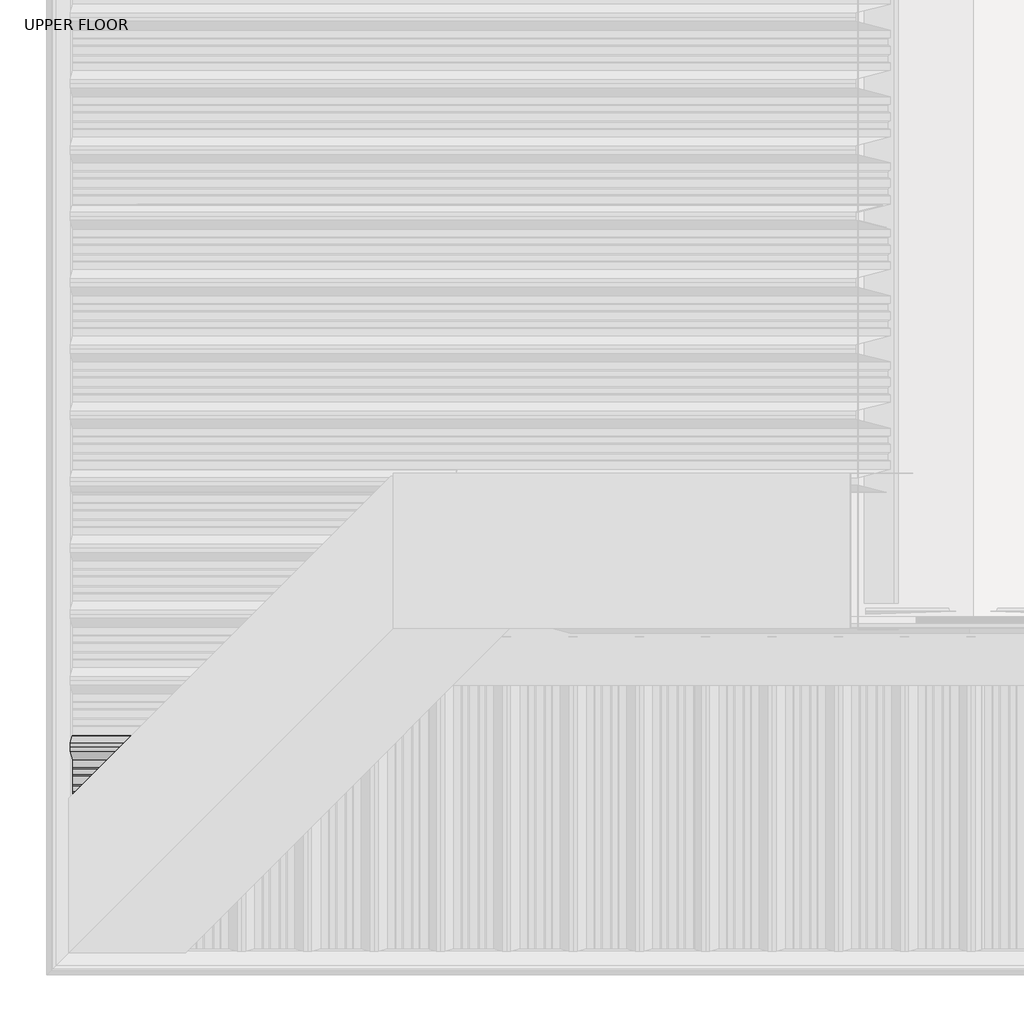
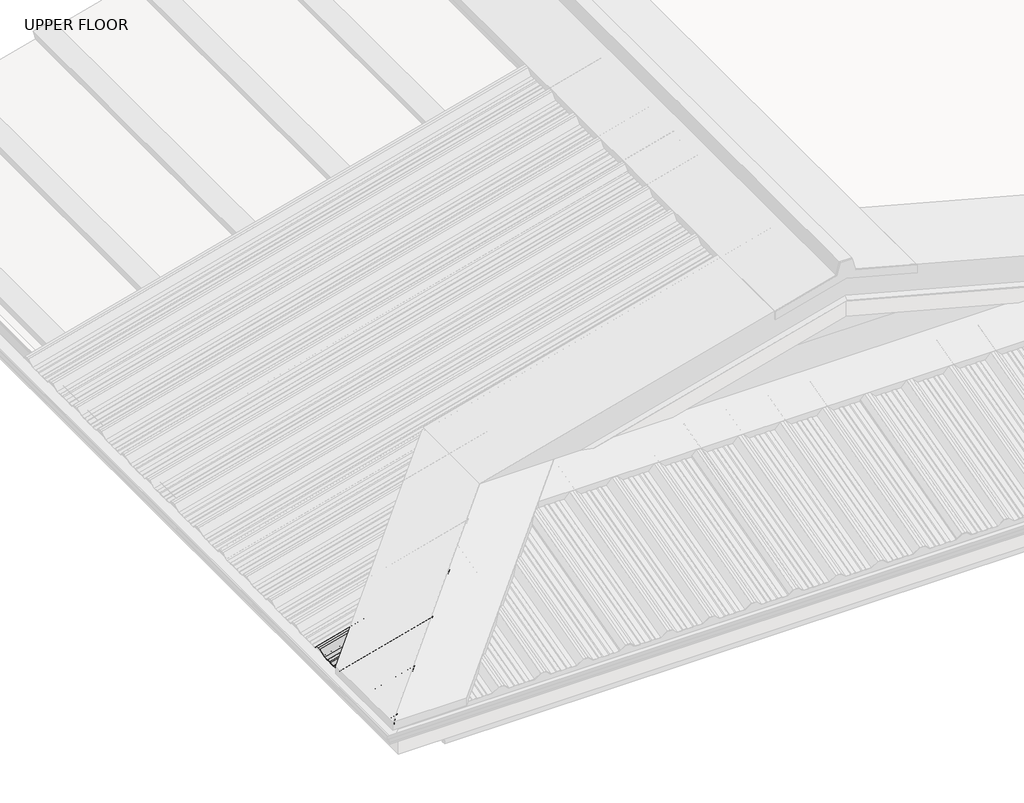
# One storey, part 2 of 8: 1 beam.
"""IFC4 building model written with IfcOpenShell, lengths in millimetres."""

import ifcopenshell
import ifcopenshell.guid

model = None  # the IFC model being written
_history = None  # IfcOwnerHistory: only IFC2X3 demands one
_inside = {}  # id of a spatial element -> (the spatial element, [elements in it])
_under = {}  # id of a project, library or spatial element -> (it, [spatial elements below it])
_declared = {}  # id of a project -> (the project, [libraries it declares])
_typed = {}  # id of a type object -> (the type object, [elements of that type])
_made_of = {}  # id of a material, layer set ... -> (it, [elements and type objects made of it])


def new_model(schema):
    """Start an empty IFC model of exactly this schema.

    Asked for "IFC4X3", IfcOpenShell would pick the latest addendum, in which some entities
    have other attributes; the version numbers below select the first issue.
    IFC2X3 requires an IfcOwnerHistory on every rooted entity: one is made here for all.
    """
    global model, _history
    if schema == "IFC4X3":
        model = ifcopenshell.file(schema_version=(4, 3, 0, 0))
    else:
        model = ifcopenshell.file(schema=schema)
    _inside.clear()
    _under.clear()
    _declared.clear()
    _typed.clear()
    _made_of.clear()
    _history = None
    if model.schema == "IFC2X3":
        org = make("IfcOrganization", Name="unknown")
        user = make(
            "IfcPersonAndOrganization",
            ThePerson=make("IfcPerson", FamilyName="unknown"),
            TheOrganization=org,
        )
        app = make(
            "IfcApplication",
            ApplicationDeveloper=org,
            Version="unknown",
            ApplicationFullName="unknown",
            ApplicationIdentifier="unknown",
        )
        _history = make(
            "IfcOwnerHistory",
            OwningUser=user,
            OwningApplication=app,
            ChangeAction="ADDED",
            CreationDate=0,
        )
    return model


def make(cls, **values):
    """One entity of the class cls with the attributes given. An attribute that is None is left unset."""
    return model.create_entity(
        cls, **{name: value for name, value in values.items() if value is not None}
    )


def rooted(cls, **values):
    """An entity with a GlobalId (a new one), such as an element, a storey or a relation."""
    return make(cls, GlobalId=ifcopenshell.guid.new(), OwnerHistory=_history, **values)


def si_unit(unit_type, name, prefix=None):
    """IfcSIUnit, for example si_unit("LENGTHUNIT", "METRE", prefix="MILLI")."""
    return make("IfcSIUnit", UnitType=unit_type, Prefix=prefix, Name=name)


def assignment(units):
    """IfcUnitAssignment: the units of a project."""
    return None if units is None else make("IfcUnitAssignment", Units=units)


def point(xyz):
    """IfcCartesianPoint."""
    return None if xyz is None else make("IfcCartesianPoint", Coordinates=xyz)


def direction(xyz):
    """IfcDirection."""
    return None if xyz is None else make("IfcDirection", DirectionRatios=xyz)


def frame(location, z_axis=None, x_axis=None):
    """IfcAxis2Placement3D, a coordinate frame: its origin and axes. An axis left out is left unset."""
    return make(
        "IfcAxis2Placement3D",
        Location=point(location),
        Axis=direction(z_axis),
        RefDirection=direction(x_axis),
    )


def origin():
    """The frame at (0, 0, 0) with its axes left unset."""
    return frame((0.0, 0.0, 0.0))


def place(relative_to, where):
    """IfcLocalPlacement: puts the frame where relative to a parent placement (None: the world)."""
    return make(
        "IfcLocalPlacement", PlacementRelTo=relative_to, RelativePlacement=where
    )


def context(
    kind, dimensions, precision=None, world=None, true_north=None, identifier=None
):
    """IfcGeometricRepresentationContext, for example the 3D "Model" context."""
    return make(
        "IfcGeometricRepresentationContext",
        ContextIdentifier=identifier,
        ContextType=kind,
        CoordinateSpaceDimension=dimensions,
        Precision=precision,
        WorldCoordinateSystem=world,
        TrueNorth=true_north,
    )


def project(units=None, contexts=None):
    """IfcProject with its units and contexts."""
    return rooted(
        "IfcProject",
        Name="project",
        RepresentationContexts=contexts,
        UnitsInContext=assignment(units),
    )


def spatial(cls, under=None, at=None, **own):
    """A site, building, storey or space (cls), placed at a placement, below another one or the project."""
    s = rooted(cls, ObjectPlacement=at, **own)
    if under is not None:
        _under.setdefault(under.id(), (under, []))[1].append(s)
    return s


def circle_curve(where, radius):
    """IfcCircle in the frame where."""
    return make("IfcCircle", Position=where, Radius=radius)


def ellipse_curve(where, semi_axis1, semi_axis2):
    """IfcEllipse in the frame where."""
    return make(
        "IfcEllipse", Position=where, SemiAxis1=semi_axis1, SemiAxis2=semi_axis2
    )


def shape(context_of_items, identifier, shape_type, items):
    """IfcShapeRepresentation: the items that make up one representation, for example the "Body"."""
    return make(
        "IfcShapeRepresentation",
        ContextOfItems=context_of_items,
        RepresentationIdentifier=identifier,
        RepresentationType=shape_type,
        Items=items,
    )


def made_of(thing, what):
    """Note that an element or type object is made of a material, layer set ...; save() writes the relation."""
    if what is not None:
        _made_of.setdefault(what.id(), (what, []))[1].append(thing)
    return thing


def element(
    cls,
    number,
    at=None,
    inside=None,
    cuts=None,
    type_object=None,
    material=None,
    context=None,
    identifier="Body",
    shape_type=None,
    held_by="IfcProductDefinitionShape",
    body=None,
    shapes=None,
    **own,
):
    """One element of the class cls, such as IfcWall. Its Tag is "e" and its number.

    at: its placement. inside: the storey or other place that contains it. cuts: it is an
    opening in that element (IfcRelVoidsElement). A single representation is given by context,
    identifier, shape_type and body (its items); several are given by shapes. held_by: the class
    of the entity that holds the representations. save() writes the other relations.
    """
    e = rooted(cls, Tag="e%d" % number, ObjectPlacement=at, **own)
    if body is not None:
        shapes = [shape(context, identifier, shape_type, body)]
    if shapes is not None:
        e.Representation = make(held_by, Representations=shapes)
    if inside is not None:
        _inside.setdefault(inside.id(), (inside, []))[1].append(e)
    if cuts is not None:
        rooted(
            "IfcRelVoidsElement", RelatingBuildingElement=cuts, RelatedOpeningElement=e
        )
    if type_object is not None:
        _typed.setdefault(type_object.id(), (type_object, []))[1].append(e)
    return made_of(e, material)


def aggregate(whole, parts):
    """IfcRelAggregates: a whole, such as a stair, and the parts it consists of."""
    return rooted("IfcRelAggregates", RelatingObject=whole, RelatedObjects=parts)


def save(model, path):
    """Write the relations noted so far, then the file.

    IfcRelAggregates (storeys below a building ...), IfcRelContainedInSpatialStructure (elements
    in a storey), IfcRelDefinesByType, IfcRelAssociatesMaterial and IfcRelDeclares: one each for
    every whole, place, type object, material and project.
    """
    for whole, parts in _under.values():
        aggregate(whole, parts)
    for where, things in _inside.values():
        rooted(
            "IfcRelContainedInSpatialStructure",
            RelatedElements=things,
            RelatingStructure=where,
        )
    for kind, things in _typed.values():
        rooted("IfcRelDefinesByType", RelatedObjects=things, RelatingType=kind)
    for what, things in _made_of.values():
        rooted("IfcRelAssociatesMaterial", RelatedObjects=things, RelatingMaterial=what)
    for by, libraries in _declared.values():
        rooted("IfcRelDeclares", RelatingContext=by, RelatedDefinitions=libraries)
    model.write(path)


def plane_surface(at):
    """IfcPlane: the flat surface through the origin of the frame at, square to its z axis."""
    return make("IfcPlane", Position=at)


def cylinder_surface(at, radius):
    """IfcCylindricalSurface: all points at the distance radius from the z axis of the frame at."""
    return make("IfcCylindricalSurface", Position=at, Radius=radius)


def advanced_brep(points, edges, surfaces, faces):
    """IfcAdvancedBrep: a solid bounded by faces that lie on surfaces and meet in shared edges.

    An edge is (start, end): straight between two places in points (the first is 0);
    or (start, end, curve); or (start, end, curve, False) where it runs against its curve.
    A face is (place in surfaces, loops), or (place, loops, False) where it looks against
    its surface's normal. A loop lists edges by number (the first is 1), with a minus sign
    where the edge is run from its end to its start. The first loop is the outer one.
    """
    corners = [point(p) for p in points]
    vertices = [make("IfcVertexPoint", VertexGeometry=c) for c in corners]
    made = []
    for start, end, *more in edges:
        made.append(
            make(
                "IfcEdgeCurve",
                EdgeStart=vertices[start],
                EdgeEnd=vertices[end],
                EdgeGeometry=more[0] if more else make("IfcPolyline", Points=[corners[start], corners[end]]),
                SameSense=more[1] if len(more) > 1 else True,
            )
        )
    hull = []
    for where, loops, *sense in faces:
        bounds = []
        for j, loop in enumerate(loops):
            ring = [make("IfcOrientedEdge", EdgeElement=made[abs(k) - 1], Orientation=k > 0) for k in loop]
            bounds.append(
                make(
                    "IfcFaceOuterBound" if j == 0 else "IfcFaceBound",
                    Bound=make("IfcEdgeLoop", EdgeList=ring),
                    Orientation=True,
                )
            )
        hull.append(make("IfcAdvancedFace", Bounds=bounds, FaceSurface=surfaces[where], SameSense=sense[0] if sense else True))
    return make("IfcAdvancedBrep", Outer=make("IfcClosedShell", CfsFaces=hull))


model = new_model("IFC4")

# Units and contexts
model_context = context("Model", 3, world=origin())
ifc_project = project(units=[si_unit("LENGTHUNIT", "METRE", prefix="MILLI")], contexts=[model_context])

# Site, building, storey
site = spatial("IfcSite", under=ifc_project)
building = spatial("IfcBuilding", under=site)
storey = spatial("IfcBuildingStorey", under=building, Name="UPPER FLOOR", Elevation=2700.0)

# Beam
placement = place(None, origin())
element("IfcBeam", 1, ObjectType="MC770", at=placement, inside=storey, context=model_context, shape_type="AdvancedBrep", body=[
    advanced_brep(
    [(-609.6770884, -4675.0160332, 3289.4346277), (-609.6770884, -4662.5160332, 3289.4346277), (-609.6770884, -4650.0160332, 3289.4346277), (-602.9477932, -4624.4416189, 3264.3205562), (-602.9477932, -4602.6089895, 3264.3205562), (-603.4758427, -4599.3939453, 3266.2912635), (-603.4758427, -4582.453976, 3266.2912635), (-602.9477932, -4578.0736583, 3264.3205562), (-602.9477932, -4554.4584081, 3264.3205562), (-603.4758427, -4550.0780903, 3266.2912635), (-603.4758427, -4533.1381211, 3266.2912635), (-602.9477932, -4529.9230769, 3264.3205562), (-602.9477932, -4508.0904474, 3264.3205562), (-609.6770884, -4482.5160332, 3289.4346277), (-609.6770884, -4470.0160332, 3289.4346277), (-609.6770884, -4457.5160332, 3289.4346277), (-602.9477932, -4431.9416189, 3264.3205562), (-602.9477932, -4410.1089895, 3264.3205562), (-603.4758427, -4406.8939453, 3266.2912635), (-603.4758427, -4389.953976, 3266.2912635), (-602.9477932, -4385.5736583, 3264.3205562), (-602.9477932, -4361.9584081, 3264.3205562), (-603.4758427, -4357.5780903, 3266.2912635), (-603.4758427, -4340.6381211, 3266.2912635), (-602.9477932, -4337.4230769, 3264.3205562), (-602.9477932, -4315.5904474, 3264.3205562), (-609.6770884, -4290.0160332, 3289.4346277), (-609.6770884, -4277.5160332, 3289.4346277), (-609.6770884, -4265.0160332, 3289.4346277), (-602.9477932, -4239.4416189, 3264.3205562), (-602.9477932, -4217.6089895, 3264.3205562), (-603.4758427, -4214.3939453, 3266.2912635), (-603.4758427, -4197.453976, 3266.2912635), (-602.9477932, -4193.0736583, 3264.3205562), (-602.9477932, -4169.4584081, 3264.3205562), (-603.4758427, -4165.0780903, 3266.2912635), (-603.4758427, -4148.1381211, 3266.2912635), (-602.9477932, -4144.9230769, 3264.3205562), (-602.9477932, -4123.0904474, 3264.3205562), (-609.6770884, -4097.5160332, 3289.4346277), (-609.6770884, -4085.0160332, 3289.4346277), (-609.6770884, -4072.5160332, 3289.4346277), (-604.5336976, -4052.9687842, 3270.2392318), (-604.3303952, -4053.7542842, 3269.4804971), (-609.4182694, -4073.0905442, 3288.4687019), (-609.4182694, -4085.0160332, 3288.4687019), (-609.4182694, -4096.9415222, 3288.4687019), (-602.6889742, -4122.5159364, 3263.3546304), (-602.6889742, -4145.2135914, 3263.3546304), (-603.2170236, -4148.4286356, 3265.3253377), (-603.2170236, -4164.8566268, 3265.3253377), (-602.6889742, -4169.2369445, 3263.3546304), (-602.6889742, -4193.2951218, 3263.3546304), (-603.2170236, -4197.6754395, 3265.3253377), (-603.2170236, -4214.1034308, 3265.3253377), (-602.6889742, -4217.318475, 3263.3546304), (-602.6889742, -4240.0161299, 3263.3546304), (-609.4182694, -4265.5905442, 3288.4687019), (-609.4182694, -4277.5160332, 3288.4687019), (-609.4182694, -4289.4415222, 3288.4687019), (-602.6889742, -4315.0159364, 3263.3546304), (-602.6889742, -4337.7135914, 3263.3546304), (-603.2170236, -4340.9286356, 3265.3253377), (-603.2170236, -4357.3566268, 3265.3253377), (-602.6889742, -4361.7369445, 3263.3546304), (-602.6889742, -4385.7951218, 3263.3546304), (-603.2170236, -4390.1754395, 3265.3253377), (-603.2170236, -4406.6034308, 3265.3253377), (-602.6889742, -4409.818475, 3263.3546304), (-602.6889742, -4432.5161299, 3263.3546304), (-609.4182694, -4458.0905442, 3288.4687019), (-609.4182694, -4470.0160332, 3288.4687019), (-609.4182694, -4481.9415222, 3288.4687019), (-602.6889742, -4507.5159364, 3263.3546304), (-602.6889742, -4530.2135914, 3263.3546304), (-603.2170236, -4533.4286356, 3265.3253377), (-603.2170236, -4549.8566268, 3265.3253377), (-602.6889742, -4554.2369445, 3263.3546304), (-602.6889742, -4578.2951218, 3263.3546304), (-603.2170236, -4582.6754395, 3265.3253377), (-603.2170236, -4599.1034308, 3265.3253377), (-602.6889742, -4602.318475, 3263.3546304), (-602.6889742, -4625.0161299, 3263.3546304), (-609.4182694, -4650.5905442, 3288.4687019), (-609.4182694, -4662.5160332, 3288.4687019), (-609.4182694, -4674.4415222, 3288.4687019), (-607.2615345, -4682.6381057, 3280.4196579), (-607.5861164, -4682.9626876, 3281.631014), (-454.8370202, -4530.2135914, 3302.9714421), (-458.0520643, -4533.4286356, 3304.2221713), (-432.1393652, -4507.5159364, 3309.0532604), (-406.564951, -4481.9415222, 3342.8230847), (-394.639462, -4470.0160332, 3346.0185099), (-382.713973, -4458.0905442, 3349.213935), (-357.1395587, -4432.5161299, 3329.149398), (-334.4419037, -4409.818475, 3335.2312163), (-331.2268596, -4406.6034308, 3338.2048825), (-314.7988683, -4390.1754395, 3342.6067495), (-310.4185506, -4385.7951218, 3341.6682544), (-286.3603733, -4361.7369445, 3348.1146235), (-281.9800556, -4357.3566268, 3351.4005238), (-265.5520643, -4340.9286356, 3355.8023908), (-262.3370202, -4337.7135914, 3354.5516616), (-239.6393652, -4315.0159364, 3360.6334799), (-214.064951, -4289.4415222, 3394.4033043), (-202.139462, -4277.5160332, 3397.5987294), (-190.213973, -4265.5905442, 3400.7941546), (-164.6395587, -4240.0161299, 3380.7296175), (-141.9419037, -4217.318475, 3386.8114358), (-138.7268596, -4214.1034308, 3389.785102), (-122.2988683, -4197.6754395, 3394.186969), (-117.9185506, -4193.2951218, 3393.2484739), (-93.8603733, -4169.2369445, 3399.6948431), (-89.4800556, -4164.8566268, 3402.9807434), (-73.0520643, -4148.4286356, 3407.3826104), (-69.8370202, -4145.2135914, 3406.1318812), (-47.1393652, -4122.5159364, 3412.2136995), (-21.564951, -4096.9415222, 3445.9835238), (-9.639462, -4085.0160332, 3449.178949), (2.286027, -4073.0905442, 3452.3743741), (21.622287, -4053.7542842, 3437.2040128), (22.407787, -4052.9687842, 3438.2276963), (2.860538, -4072.5160332, 3453.56359), (-9.639462, -4085.0160332, 3450.2142251), (-22.139462, -4097.5160332, 3446.8648602), (-47.7138762, -4123.0904474, 3413.0950359), (-69.5465057, -4144.9230769, 3407.2450005), (-72.7615498, -4148.1381211, 3408.4957297), (-89.7015191, -4165.0780903, 3403.9566786), (-94.0818368, -4169.4584081, 3400.6707783), (-117.6970871, -4193.0736583, 3394.3430911), (-122.0774048, -4197.453976, 3395.2815862), (-139.0173741, -4214.3939453, 3390.7425351), (-142.2324182, -4217.6089895, 3387.7688689), (-164.0650477, -4239.4416189, 3381.9188335), (-189.639462, -4265.0160332, 3401.9833705), (-202.139462, -4277.5160332, 3398.6340056), (-214.639462, -4290.0160332, 3395.2846407), (-240.2138762, -4315.5904474, 3361.5148164), (-262.0465057, -4337.4230769, 3355.6647809), (-265.2615498, -4340.6381211, 3356.9155101), (-282.2015191, -4357.5780903, 3352.376459), (-286.5818368, -4361.9584081, 3349.0905587), (-310.1970871, -4385.5736583, 3342.7628715), (-314.5774048, -4389.953976, 3343.7013666), (-331.5173741, -4406.8939453, 3339.1623155), (-334.7324182, -4410.1089895, 3336.1886493), (-356.5650477, -4431.9416189, 3330.3386139), (-382.139462, -4457.5160332, 3350.403151), (-394.639462, -4470.0160332, 3347.0537861), (-407.139462, -4482.5160332, 3343.7044211), (-432.7138762, -4508.0904474, 3309.9345968), (-454.5465057, -4529.9230769, 3304.0845614), (-457.7615498, -4533.1381211, 3305.3352906), (-474.7015191, -4550.0780903, 3300.7962395), (-479.0818368, -4554.4584081, 3297.5103392), (-502.6970871, -4578.0736583, 3291.182652), (-507.0774048, -4582.453976, 3292.1211471), (-524.0173741, -4599.3939453, 3287.582096), (-527.2324182, -4602.6089895, 3284.6084298), (-549.0650477, -4624.4416189, 3278.7583944), (-574.639462, -4650.0160332, 3298.8229314), (-587.139462, -4662.5160332, 3295.4735665), (-599.639462, -4675.0160332, 3292.1242016), (-599.064951, -4674.4415222, 3291.2428652), (-587.139462, -4662.5160332, 3294.4382903), (-575.213973, -4650.5905442, 3297.6337155), (-549.6395587, -4625.0161299, 3277.5691784), (-526.9419037, -4602.318475, 3283.6509967), (-523.7268596, -4599.1034308, 3286.6246629), (-507.2988683, -4582.6754395, 3291.0265299), (-502.9185506, -4578.2951218, 3290.0880348), (-478.8603733, -4554.2369445, 3296.534404), (-474.4800556, -4549.8566268, 3299.8203043)],
    [
        (0, 1),
        (1, 2),
        (2, 3),
        (3, 4),
        (4, 5),
        (5, 6),
        (6, 7),
        (7, 8),
        (8, 9),
        (9, 10),
        (10, 11),
        (11, 12),
        (12, 13),
        (13, 14),
        (14, 15),
        (15, 16),
        (16, 17),
        (17, 18),
        (18, 19),
        (19, 20),
        (20, 21),
        (21, 22),
        (22, 23),
        (23, 24),
        (24, 25),
        (25, 26),
        (26, 27),
        (27, 28),
        (28, 29),
        (29, 30),
        (30, 31),
        (31, 32),
        (32, 33),
        (33, 34),
        (34, 35),
        (35, 36),
        (36, 37),
        (37, 38),
        (38, 39),
        (39, 40),
        (40, 41),
        (41, 42),
        (42, 43, circle_curve(frame((-604.4328852, -4053.3647751, 3269.8629949), z_axis=(-0.9659258262890683, 0.0, -0.2588190451025209), x_axis=(0.0, 1.0000000000000002, 0.0)), 0.5554513)),
        (43, 44),
        (44, 45),
        (45, 46),
        (46, 47),
        (47, 48),
        (48, 49),
        (49, 50),
        (50, 51),
        (51, 52),
        (52, 53),
        (53, 54),
        (54, 55),
        (55, 56),
        (56, 57),
        (57, 58),
        (58, 59),
        (59, 60),
        (60, 61),
        (61, 62),
        (62, 63),
        (63, 64),
        (64, 65),
        (65, 66),
        (66, 67),
        (67, 68),
        (68, 69),
        (69, 70),
        (70, 71),
        (71, 72),
        (72, 73),
        (73, 74),
        (74, 75),
        (75, 76),
        (76, 77),
        (77, 78),
        (78, 79),
        (79, 80),
        (80, 81),
        (81, 82),
        (82, 83),
        (83, 84),
        (84, 85),
        (85, 86),
        (86, 87),
        (87, 0),
        (74, 88),
        (88, 89),
        (89, 75),
        (73, 90),
        (90, 88),
        (72, 91),
        (91, 90),
        (71, 92),
        (92, 91),
        (70, 93),
        (93, 92),
        (69, 94),
        (94, 93),
        (68, 95),
        (95, 94),
        (67, 96),
        (96, 95),
        (66, 97),
        (97, 96),
        (65, 98),
        (98, 97),
        (64, 99),
        (99, 98),
        (63, 100),
        (100, 99),
        (62, 101),
        (101, 100),
        (61, 102),
        (102, 101),
        (60, 103),
        (103, 102),
        (59, 104),
        (104, 103),
        (58, 105),
        (105, 104),
        (57, 106),
        (106, 105),
        (56, 107),
        (107, 106),
        (55, 108),
        (108, 107),
        (54, 109),
        (109, 108),
        (53, 110),
        (110, 109),
        (52, 111),
        (111, 110),
        (51, 112),
        (112, 111),
        (50, 113),
        (113, 112),
        (49, 114),
        (114, 113),
        (48, 115),
        (115, 114),
        (47, 116),
        (116, 115),
        (46, 117),
        (117, 116),
        (45, 118),
        (118, 117),
        (44, 119),
        (119, 118),
        (43, 120),
        (120, 119),
        (42, 121),
        (121, 120, ellipse_curve(frame((22.0117961, -4053.3647751, 3437.7183414), z_axis=(-0.7071067811865475, 0.7071067811865476, 0.0), x_axis=(0.6612248329466448, 0.6612248329466447, 0.35434932000691577)), 0.8132371, 0.5554513)),
        (41, 122),
        (122, 121),
        (40, 123),
        (123, 122),
        (39, 124),
        (124, 123),
        (38, 125),
        (125, 124),
        (37, 126),
        (126, 125),
        (36, 127),
        (127, 126),
        (35, 128),
        (128, 127),
        (34, 129),
        (129, 128),
        (33, 130),
        (130, 129),
        (32, 131),
        (131, 130),
        (31, 132),
        (132, 131),
        (30, 133),
        (133, 132),
        (29, 134),
        (134, 133),
        (28, 135),
        (135, 134),
        (27, 136),
        (136, 135),
        (26, 137),
        (137, 136),
        (25, 138),
        (138, 137),
        (24, 139),
        (139, 138),
        (23, 140),
        (140, 139),
        (22, 141),
        (141, 140),
        (21, 142),
        (142, 141),
        (20, 143),
        (143, 142),
        (19, 144),
        (144, 143),
        (18, 145),
        (145, 144),
        (17, 146),
        (146, 145),
        (16, 147),
        (147, 146),
        (15, 148),
        (148, 147),
        (14, 149),
        (149, 148),
        (13, 150),
        (150, 149),
        (12, 151),
        (151, 150),
        (11, 152),
        (152, 151),
        (10, 153),
        (153, 152),
        (9, 154),
        (154, 153),
        (8, 155),
        (155, 154),
        (7, 156),
        (156, 155),
        (6, 157),
        (157, 156),
        (5, 158),
        (158, 157),
        (4, 159),
        (159, 158),
        (3, 160),
        (160, 159),
        (2, 161),
        (161, 160),
        (1, 162),
        (162, 161),
        (0, 163),
        (163, 162),
        (87, 163),
        (85, 164),
        (164, 86),
        (84, 165),
        (165, 164),
        (83, 166),
        (166, 165),
        (82, 167),
        (167, 166),
        (81, 168),
        (168, 167),
        (80, 169),
        (169, 168),
        (79, 170),
        (170, 169),
        (78, 171),
        (171, 170),
        (77, 172),
        (172, 171),
        (76, 173),
        (173, 172),
        (89, 173),
    ],
    [
        plane_surface(frame((-602.6889742, -4700.0159364, 3263.3546304), z_axis=(-0.9659258262890684, 0.0, -0.25881904510252085), x_axis=(0.18451661822206494, -0.7012479477870271, -0.6886253940455405))),
        plane_surface(frame((512.5251527, -4533.4286356, 3564.2875528), z_axis=(0.21853130769187462, -0.5358075541289663, -0.8155699433505468), x_axis=(-0.9659258262890683, 0.0, -0.2588190451025209))),
        plane_surface(frame((513.0532022, -4530.2135914, 3562.3168455), z_axis=(0.2588190451025209, 0.0, -0.9659258262890683), x_axis=(-0.9659258262890683, 0.0, -0.2588190451025209))),
        plane_surface(frame((513.0532022, -4507.5159364, 3562.3168455), z_axis=(0.18149632422634657, 0.7129174676808379, -0.6773535033997142), x_axis=(-0.9659258262890683, 0.0, -0.2588190451025209))),
        plane_surface(frame((506.323907, -4481.9415222, 3587.430917), z_axis=(0.2588190451025209, 0.0, -0.9659258262890683), x_axis=(-0.9659258262890683, 0.0, -0.2588190451025209))),
        plane_surface(frame((506.323907, -4470.0160332, 3587.430917), z_axis=(0.25881904510252096, 0.0, -0.9659258262890683), x_axis=(-0.9659258262890683, 0.0, -0.25881904510252096))),
        plane_surface(frame((506.323907, -4458.0905442, 3587.430917), z_axis=(0.18149632422633943, -0.7129174676808558, -0.6773535033996972), x_axis=(-0.9659258262890683, 0.0, -0.25881904510252096))),
        plane_surface(frame((513.0532022, -4432.5161299, 3562.3168455), z_axis=(0.2588190451025209, 0.0, -0.9659258262890683), x_axis=(-0.9659258262890683, 0.0, -0.2588190451025209))),
        plane_surface(frame((513.0532022, -4409.818475, 3562.3168455), z_axis=(0.21853130769187773, 0.5358075541289585, -0.815569943350551), x_axis=(-0.9659258262890683, 0.0, -0.25881904510252085))),
        plane_surface(frame((512.5251527, -4406.6034308, 3564.2875528), z_axis=(0.2588190451025209, 0.0, -0.9659258262890683), x_axis=(-0.9659258262890683, 0.0, -0.2588190451025209))),
        plane_surface(frame((512.5251527, -4390.1754395, 3564.2875528), z_axis=(0.23461789175161424, -0.42221886042245466, -0.8756058923817219), x_axis=(-0.9659258262890683, 0.0, -0.2588190451025209))),
        plane_surface(frame((513.0532022, -4385.7951218, 3562.3168455), z_axis=(0.2588190451025209, 0.0, -0.9659258262890683), x_axis=(-0.9659258262890683, 0.0, -0.2588190451025209))),
        plane_surface(frame((513.0532022, -4361.7369445, 3562.3168455), z_axis=(0.23461789175161726, 0.4222188604224424, -0.875605892381727), x_axis=(-0.9659258262890683, 0.0, -0.25881904510252096))),
        plane_surface(frame((512.5251527, -4357.3566268, 3564.2875528), z_axis=(0.2588190451025209, 0.0, -0.9659258262890683), x_axis=(-0.9659258262890683, 0.0, -0.2588190451025209))),
        plane_surface(frame((512.5251527, -4340.9286356, 3564.2875528), z_axis=(0.21853130769187565, -0.5358075541289599, -0.8155699433505507), x_axis=(-0.9659258262890683, 0.0, -0.25881904510252096))),
        plane_surface(frame((513.0532022, -4337.7135914, 3562.3168455), z_axis=(0.2588190451025209, 0.0, -0.9659258262890683), x_axis=(-0.9659258262890683, 0.0, -0.2588190451025209))),
        plane_surface(frame((513.0532022, -4315.0159364, 3562.3168455), z_axis=(0.18149632422634215, 0.7129174676808547, -0.6773535033996976), x_axis=(-0.9659258262890683, 0.0, -0.2588190451025209))),
        plane_surface(frame((506.323907, -4289.4415222, 3587.430917), z_axis=(0.2588190451025209, 0.0, -0.9659258262890683), x_axis=(-0.9659258262890683, 0.0, -0.2588190451025209))),
        plane_surface(frame((506.323907, -4277.5160332, 3587.430917), z_axis=(0.2588190451025209, 0.0, -0.9659258262890683), x_axis=(-0.9659258262890683, 0.0, -0.2588190451025209))),
        plane_surface(frame((506.323907, -4265.5905442, 3587.430917), z_axis=(0.18149632422634038, -0.7129174676808522, -0.6773535033997009), x_axis=(-0.9659258262890683, 0.0, -0.25881904510252096))),
        plane_surface(frame((513.0532022, -4240.0161299, 3562.3168455), z_axis=(0.25881904510252085, 0.0, -0.9659258262890683), x_axis=(-0.9659258262890683, 0.0, -0.25881904510252085))),
        plane_surface(frame((513.0532022, -4217.318475, 3562.3168455), z_axis=(0.21853130769187773, 0.5358075541289585, -0.815569943350551), x_axis=(-0.9659258262890683, 0.0, -0.25881904510252096))),
        plane_surface(frame((512.5251527, -4214.1034308, 3564.2875528), z_axis=(0.25881904510252085, 0.0, -0.9659258262890683), x_axis=(-0.9659258262890683, 0.0, -0.25881904510252085))),
        plane_surface(frame((512.5251527, -4197.6754395, 3564.2875528), z_axis=(0.23461789175161546, -0.42221886042244394, -0.8756058923817268), x_axis=(-0.9659258262890683, 0.0, -0.25881904510252085))),
        plane_surface(frame((513.0532022, -4193.2951218, 3562.3168455), z_axis=(0.2588190451025209, 0.0, -0.9659258262890683), x_axis=(-0.9659258262890683, 0.0, -0.2588190451025209))),
        plane_surface(frame((513.0532022, -4169.2369445, 3562.3168455), z_axis=(0.23461789175161718, 0.42221886042244244, -0.875605892381727), x_axis=(-0.9659258262890683, 0.0, -0.25881904510252096))),
        plane_surface(frame((512.5251527, -4164.8566268, 3564.2875528), z_axis=(0.25881904510252096, 0.0, -0.9659258262890683), x_axis=(-0.9659258262890683, 0.0, -0.25881904510252096))),
        plane_surface(frame((512.5251527, -4148.4286356, 3564.2875528), z_axis=(0.21853130769187568, -0.53580755412896, -0.8155699433505507), x_axis=(-0.9659258262890683, 0.0, -0.2588190451025209))),
        plane_surface(frame((513.0532022, -4145.2135914, 3562.3168455), z_axis=(0.25881904510252085, 0.0, -0.9659258262890683), x_axis=(-0.9659258262890683, 0.0, -0.25881904510252085))),
        plane_surface(frame((513.0532022, -4122.5159364, 3562.3168455), z_axis=(0.18149632422634268, 0.712917467680853, -0.6773535033996996), x_axis=(-0.9659258262890683, 0.0, -0.25881904510252096))),
        plane_surface(frame((506.323907, -4096.9415222, 3587.430917), z_axis=(0.25881904510252085, 0.0, -0.9659258262890683), x_axis=(-0.9659258262890683, 0.0, -0.25881904510252085))),
        plane_surface(frame((506.323907, -4085.0160332, 3587.430917), z_axis=(0.2588190451025209, 0.0, -0.9659258262890683), x_axis=(-0.9659258262890683, 0.0, -0.2588190451025209))),
        plane_surface(frame((506.323907, -4073.0905442, 3587.430917), z_axis=(0.1814963242263341, -0.7129174676808755, -0.6773535033996778), x_axis=(-0.9659258262890683, 0.0, -0.2588190451025209))),
        cylinder_surface(frame((-604.4328852, -4053.3647751, 3269.8629949), z_axis=(0.9659258262890683, 0.0, 0.2588190451025209), x_axis=(0.0, 1.0000000000000002, 0.0)), 0.5554513),
        plane_surface(frame((511.2084788, -4052.9687842, 3569.2014469), z_axis=(-0.18149632422633002, 0.7129174676808914, 0.6773535033996623), x_axis=(-0.9659258262890683, 0.0, -0.2588190451025209))),
        plane_surface(frame((506.0650879, -4072.5160332, 3588.3968428), z_axis=(-0.2588190451025209, 0.0, 0.9659258262890683), x_axis=(-0.9659258262890683, 0.0, -0.2588190451025209))),
        plane_surface(frame((506.0650879, -4085.0160332, 3588.3968428), z_axis=(-0.2588190451025209, 0.0, 0.9659258262890683), x_axis=(-0.9659258262890683, 0.0, -0.2588190451025209))),
        plane_surface(frame((506.0650879, -4097.5160332, 3588.3968428), z_axis=(-0.18149632422634246, -0.7129174676808534, 0.677353503399699), x_axis=(-0.9659258262890683, 0.0, -0.25881904510252085))),
        plane_surface(frame((512.7943831, -4123.0904474, 3563.2827713), z_axis=(-0.2588190451025209, 0.0, 0.9659258262890683), x_axis=(-0.9659258262890683, 0.0, -0.2588190451025209))),
        plane_surface(frame((512.7943831, -4144.9230769, 3563.2827713), z_axis=(-0.21853130769187465, 0.5358075541289663, 0.8155699433505468), x_axis=(-0.9659258262890683, 0.0, -0.25881904510252085))),
        plane_surface(frame((512.2663337, -4148.1381211, 3565.2534786), z_axis=(-0.25881904510252096, 0.0, 0.9659258262890683), x_axis=(-0.9659258262890683, 0.0, -0.25881904510252096))),
        plane_surface(frame((512.2663337, -4165.0780903, 3565.2534786), z_axis=(-0.23461789175161657, -0.42221886042244816, 0.8756058923817245), x_axis=(-0.9659258262890683, 0.0, -0.25881904510252096))),
        plane_surface(frame((512.7943831, -4169.4584081, 3563.2827713), z_axis=(-0.25881904510252085, 0.0, 0.9659258262890683), x_axis=(-0.9659258262890683, 0.0, -0.25881904510252085))),
        plane_surface(frame((512.7943831, -4193.0736583, 3563.2827713), z_axis=(-0.23461789175161496, 0.4222188604224497, 0.8756058923817244), x_axis=(-0.9659258262890683, 0.0, -0.2588190451025209))),
        plane_surface(frame((512.2663337, -4197.453976, 3565.2534786), z_axis=(-0.25881904510252085, 0.0, 0.9659258262890683), x_axis=(-0.9659258262890683, 0.0, -0.25881904510252085))),
        plane_surface(frame((512.2663337, -4214.3939453, 3565.2534786), z_axis=(-0.21853130769187676, -0.535807554128965, 0.8155699433505474), x_axis=(-0.9659258262890683, 0.0, -0.25881904510252096))),
        plane_surface(frame((512.7943831, -4217.6089895, 3563.2827713), z_axis=(-0.25881904510252096, 0.0, 0.9659258262890683), x_axis=(-0.9659258262890683, 0.0, -0.25881904510252096))),
        plane_surface(frame((512.7943831, -4239.4416189, 3563.2827713), z_axis=(-0.18149632422634038, 0.7129174676808525, 0.6773535033997005), x_axis=(-0.9659258262890683, 0.0, -0.25881904510252096))),
        plane_surface(frame((506.0650879, -4265.0160332, 3588.3968428), z_axis=(-0.2588190451025209, 0.0, 0.9659258262890683), x_axis=(-0.9659258262890683, 0.0, -0.2588190451025209))),
        plane_surface(frame((506.0650879, -4277.5160332, 3588.3968428), z_axis=(-0.25881904510252096, 0.0, 0.9659258262890683), x_axis=(-0.9659258262890683, 0.0, -0.25881904510252096))),
        plane_surface(frame((506.0650879, -4290.0160332, 3588.3968428), z_axis=(-0.18149632422634218, -0.7129174676808547, 0.6773535033996976), x_axis=(-0.9659258262890683, 0.0, -0.25881904510252096))),
        plane_surface(frame((512.7943831, -4315.5904474, 3563.2827713), z_axis=(-0.25881904510252085, 0.0, 0.9659258262890683), x_axis=(-0.9659258262890683, 0.0, -0.25881904510252085))),
        plane_surface(frame((512.7943831, -4337.4230769, 3563.2827713), z_axis=(-0.2185313076918756, 0.53580755412896, 0.8155699433505507), x_axis=(-0.9659258262890683, 0.0, -0.25881904510252085))),
        plane_surface(frame((512.2663337, -4340.6381211, 3565.2534786), z_axis=(-0.25881904510252096, 0.0, 0.9659258262890683), x_axis=(-0.9659258262890683, 0.0, -0.25881904510252096))),
        plane_surface(frame((512.2663337, -4357.5780903, 3565.2534786), z_axis=(-0.2346178917516172, -0.42221886042244244, 0.875605892381727), x_axis=(-0.9659258262890683, 0.0, -0.2588190451025209))),
        plane_surface(frame((512.7943831, -4361.9584081, 3563.2827713), z_axis=(-0.25881904510252096, 0.0, 0.9659258262890683), x_axis=(-0.9659258262890683, 0.0, -0.25881904510252096))),
        plane_surface(frame((512.7943831, -4385.5736583, 3563.2827713), z_axis=(-0.23461789175161427, 0.42221886042245466, 0.8756058923817219), x_axis=(-0.9659258262890683, 0.0, -0.2588190451025209))),
        plane_surface(frame((512.2663337, -4389.953976, 3565.2534786), z_axis=(-0.2588190451025209, 0.0, 0.9659258262890683), x_axis=(-0.9659258262890683, 0.0, -0.2588190451025209))),
        plane_surface(frame((512.2663337, -4406.8939453, 3565.2534786), z_axis=(-0.21853130769187776, -0.5358075541289585, 0.815569943350551), x_axis=(-0.9659258262890683, 0.0, -0.2588190451025209))),
        plane_surface(frame((512.7943831, -4410.1089895, 3563.2827713), z_axis=(-0.25881904510252096, 0.0, 0.9659258262890683), x_axis=(-0.9659258262890683, 0.0, -0.25881904510252096))),
        plane_surface(frame((512.7943831, -4431.9416189, 3563.2827713), z_axis=(-0.18149632422633935, 0.7129174676808558, 0.6773535033996972), x_axis=(-0.9659258262890683, 0.0, -0.2588190451025209))),
        plane_surface(frame((506.0650879, -4457.5160332, 3588.3968428), z_axis=(-0.2588190451025209, 0.0, 0.9659258262890683), x_axis=(-0.9659258262890683, 0.0, -0.2588190451025209))),
        plane_surface(frame((506.0650879, -4470.0160332, 3588.3968428), z_axis=(-0.2588190451025209, 0.0, 0.9659258262890683), x_axis=(-0.9659258262890683, 0.0, -0.2588190451025209))),
        plane_surface(frame((506.0650879, -4482.5160332, 3588.3968428), z_axis=(-0.1814963242263466, -0.7129174676808379, 0.6773535033997142), x_axis=(-0.9659258262890683, 0.0, -0.2588190451025209))),
        plane_surface(frame((512.7943831, -4508.0904474, 3563.2827713), z_axis=(-0.2588190451025209, 0.0, 0.9659258262890683), x_axis=(-0.9659258262890683, 0.0, -0.2588190451025209))),
        plane_surface(frame((512.7943831, -4529.9230769, 3563.2827713), z_axis=(-0.21853130769187465, 0.5358075541289663, 0.8155699433505468), x_axis=(-0.9659258262890683, 0.0, -0.2588190451025209))),
        plane_surface(frame((512.2663337, -4533.1381211, 3565.2534786), z_axis=(-0.2588190451025209, 0.0, 0.9659258262890683), x_axis=(-0.9659258262890683, 0.0, -0.2588190451025209))),
        plane_surface(frame((512.2663337, -4550.0780903, 3565.2534786), z_axis=(-0.23461789175161657, -0.4222188604224482, 0.8756058923817245), x_axis=(-0.9659258262890683, 0.0, -0.2588190451025209))),
        plane_surface(frame((512.7943831, -4554.4584081, 3563.2827713), z_axis=(-0.2588190451025209, 0.0, 0.9659258262890683), x_axis=(-0.9659258262890683, 0.0, -0.2588190451025209))),
        plane_surface(frame((512.7943831, -4578.0736583, 3563.2827713), z_axis=(-0.2346178917516149, 0.42221886042244977, 0.8756058923817244), x_axis=(-0.9659258262890683, 0.0, -0.2588190451025209))),
        plane_surface(frame((512.2663337, -4582.453976, 3565.2534786), z_axis=(-0.2588190451025209, 0.0, 0.9659258262890683), x_axis=(-0.9659258262890683, 0.0, -0.2588190451025209))),
        plane_surface(frame((512.2663337, -4599.3939453, 3565.2534786), z_axis=(-0.21853130769187742, -0.5358075541289609, 0.8155699433505499), x_axis=(-0.9659258262890683, 0.0, -0.2588190451025209))),
        plane_surface(frame((512.7943831, -4602.6089895, 3563.2827713), z_axis=(-0.2588190451025209, 0.0, 0.9659258262890683), x_axis=(-0.9659258262890683, 0.0, -0.2588190451025209))),
        plane_surface(frame((512.7943831, -4624.4416189, 3563.2827713), z_axis=(-0.18149632422633938, 0.7129174676808558, 0.6773535033996972), x_axis=(-0.9659258262890683, 0.0, -0.2588190451025209))),
        plane_surface(frame((506.0650879, -4650.0160332, 3588.3968428), z_axis=(-0.2588190451025209, 0.0, 0.9659258262890683), x_axis=(-0.9659258262890683, 0.0, -0.2588190451025209))),
        plane_surface(frame((506.0650879, -4662.5160332, 3588.3968428), z_axis=(-0.2588190451025209, 0.0, 0.9659258262890683), x_axis=(-0.9659258262890683, 0.0, -0.2588190451025209))),
        plane_surface(frame((506.0650879, -4675.0160332, 3588.3968428), z_axis=(-0.18149632422634224, -0.7129174676808543, 0.677353503399698), x_axis=(-0.9659258262890683, 0.0, -0.2588190451025209))),
        plane_surface(frame((513.0532022, -4700.0159364, 3562.3168455), z_axis=(0.18149632422634202, 0.7129174676808552, -0.6773535033996972), x_axis=(-0.9659258262890683, 0.0, -0.2588190451025209))),
        plane_surface(frame((506.323907, -4674.4415222, 3587.430917), z_axis=(0.2588190451025209, 0.0, -0.9659258262890683), x_axis=(-0.9659258262890683, 0.0, -0.2588190451025209))),
        plane_surface(frame((506.323907, -4662.5160332, 3587.430917), z_axis=(0.2588190451025209, 0.0, -0.9659258262890683), x_axis=(-0.9659258262890683, 0.0, -0.2588190451025209))),
        plane_surface(frame((506.323907, -4650.5905442, 3587.430917), z_axis=(0.18149632422633927, -0.7129174676808562, -0.6773535033996968), x_axis=(-0.9659258262890683, 0.0, -0.2588190451025209))),
        plane_surface(frame((513.0532022, -4625.0161299, 3562.3168455), z_axis=(0.2588190451025209, 0.0, -0.9659258262890683), x_axis=(-0.9659258262890683, 0.0, -0.2588190451025209))),
        plane_surface(frame((513.0532022, -4602.318475, 3562.3168455), z_axis=(0.21853130769187742, 0.5358075541289609, -0.8155699433505499), x_axis=(-0.9659258262890683, 0.0, -0.2588190451025209))),
        plane_surface(frame((512.5251527, -4599.1034308, 3564.2875528), z_axis=(0.2588190451025209, 0.0, -0.9659258262890683), x_axis=(-0.9659258262890683, 0.0, -0.2588190451025209))),
        plane_surface(frame((512.5251527, -4582.6754395, 3564.2875528), z_axis=(0.23461789175161457, -0.42221886042245244, -0.875605892381723), x_axis=(-0.9659258262890683, 0.0, -0.2588190451025209))),
        plane_surface(frame((513.0532022, -4578.2951218, 3562.3168455), z_axis=(0.2588190451025209, 0.0, -0.9659258262890683), x_axis=(-0.9659258262890683, 0.0, -0.2588190451025209))),
        plane_surface(frame((513.0532022, -4554.2369445, 3562.3168455), z_axis=(0.23461789175161715, 0.42221886042244283, -0.8756058923817269), x_axis=(-0.9659258262890683, 0.0, -0.2588190451025209))),
        plane_surface(frame((512.5251527, -4549.8566268, 3564.2875528), z_axis=(0.2588190451025209, 0.0, -0.9659258262890683), x_axis=(-0.9659258262890683, 0.0, -0.2588190451025209))),
        plane_surface(frame((1282.9785823, -2792.3979889, 4276.036793), z_axis=(0.7071067811865475, -0.7071067811865476, 0.0), x_axis=(0.0, 0.0, -1.0))),
    ],
    [
        (0, [[1, 2, 3, 4, 5, 6, 7, 8, 9, 10, 11, 12, 13, 14, 15, 16, 17, 18, 19, 20, 21, 22, 23, 24, 25, 26, 27, 28, 29, 30, 31, 32, 33, 34, 35, 36, 37, 38, 39, 40, 41, 42, 43, 44, 45, 46, 47, 48, 49, 50, 51, 52, 53, 54, 55, 56, 57, 58, 59, 60, 61, 62, 63, 64, 65, 66, 67, 68, 69, 70, 71, 72, 73, 74, 75, 76, 77, 78, 79, 80, 81, 82, 83, 84, 85, 86, 87, 88]]),
        (1, [[-75, 89, 90, 91]]),
        (2, [[-74, 92, 93, -89]]),
        (3, [[-73, 94, 95, -92]]),
        (4, [[-72, 96, 97, -94]]),
        (5, [[-71, 98, 99, -96]]),
        (6, [[-70, 100, 101, -98]]),
        (7, [[-69, 102, 103, -100]]),
        (8, [[-68, 104, 105, -102]]),
        (9, [[-67, 106, 107, -104]]),
        (10, [[-66, 108, 109, -106]]),
        (11, [[-65, 110, 111, -108]]),
        (12, [[-64, 112, 113, -110]]),
        (13, [[-63, 114, 115, -112]]),
        (14, [[-62, 116, 117, -114]]),
        (15, [[-61, 118, 119, -116]]),
        (16, [[-60, 120, 121, -118]]),
        (17, [[-59, 122, 123, -120]]),
        (18, [[-58, 124, 125, -122]]),
        (19, [[-57, 126, 127, -124]]),
        (20, [[-56, 128, 129, -126]]),
        (21, [[-55, 130, 131, -128]]),
        (22, [[-54, 132, 133, -130]]),
        (23, [[-53, 134, 135, -132]]),
        (24, [[-52, 136, 137, -134]]),
        (25, [[-51, 138, 139, -136]]),
        (26, [[-50, 140, 141, -138]]),
        (27, [[-49, 142, 143, -140]]),
        (28, [[-48, 144, 145, -142]]),
        (29, [[-47, 146, 147, -144]]),
        (30, [[-46, 148, 149, -146]]),
        (31, [[-45, 150, 151, -148]]),
        (32, [[-44, 152, 153, -150]]),
        (33, [[-43, 154, 155, -152]]),
        (34, [[-42, 156, 157, -154]]),
        (35, [[-41, 158, 159, -156]]),
        (36, [[-40, 160, 161, -158]]),
        (37, [[-39, 162, 163, -160]]),
        (38, [[-38, 164, 165, -162]]),
        (39, [[-37, 166, 167, -164]]),
        (40, [[-36, 168, 169, -166]]),
        (41, [[-35, 170, 171, -168]]),
        (42, [[-34, 172, 173, -170]]),
        (43, [[-33, 174, 175, -172]]),
        (44, [[-32, 176, 177, -174]]),
        (45, [[-31, 178, 179, -176]]),
        (46, [[-30, 180, 181, -178]]),
        (47, [[-29, 182, 183, -180]]),
        (48, [[-28, 184, 185, -182]]),
        (49, [[-27, 186, 187, -184]]),
        (50, [[-26, 188, 189, -186]]),
        (51, [[-25, 190, 191, -188]]),
        (52, [[-24, 192, 193, -190]]),
        (53, [[-23, 194, 195, -192]]),
        (54, [[-22, 196, 197, -194]]),
        (55, [[-21, 198, 199, -196]]),
        (56, [[-20, 200, 201, -198]]),
        (57, [[-19, 202, 203, -200]]),
        (58, [[-18, 204, 205, -202]]),
        (59, [[-17, 206, 207, -204]]),
        (60, [[-16, 208, 209, -206]]),
        (61, [[-15, 210, 211, -208]]),
        (62, [[-14, 212, 213, -210]]),
        (63, [[-13, 214, 215, -212]]),
        (64, [[-12, 216, 217, -214]]),
        (65, [[-11, 218, 219, -216]]),
        (66, [[-10, 220, 221, -218]]),
        (67, [[-9, 222, 223, -220]]),
        (68, [[-8, 224, 225, -222]]),
        (69, [[-7, 226, 227, -224]]),
        (70, [[-6, 228, 229, -226]]),
        (71, [[-5, 230, 231, -228]]),
        (72, [[-4, 232, 233, -230]]),
        (73, [[-3, 234, 235, -232]]),
        (74, [[-2, 236, 237, -234]]),
        (75, [[-1, 238, 239, -236]]),
        (76, [[-88, 240, -238]]),
        (77, [[-86, 241, 242]]),
        (78, [[-85, 243, 244, -241]]),
        (79, [[-84, 245, 246, -243]]),
        (80, [[-83, 247, 248, -245]]),
        (81, [[-82, 249, 250, -247]]),
        (82, [[-81, 251, 252, -249]]),
        (83, [[-80, 253, 254, -251]]),
        (84, [[-79, 255, 256, -253]]),
        (85, [[-78, 257, 258, -255]]),
        (86, [[-77, 259, 260, -257]]),
        (87, [[-76, -91, 261, -259]]),
        (88, [[-87, -242, -244, -246, -248, -250, -252, -254, -256, -258, -260, -261, -90, -93, -95, -97, -99, -101, -103, -105, -107, -109, -111, -113, -115, -117, -119, -121, -123, -125, -127, -129, -131, -133, -135, -137, -139, -141, -143, -145, -147, -149, -151, -153, -155, -157, -159, -161, -163, -165, -167, -169, -171, -173, -175, -177, -179, -181, -183, -185, -187, -189, -191, -193, -195, -197, -199, -201, -203, -205, -207, -209, -211, -213, -215, -217, -219, -221, -223, -225, -227, -229, -231, -233, -235, -237, -239, -240]]),
    ],
),
])

save(model, "model.ifc")
